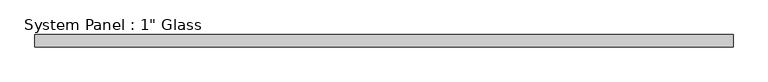
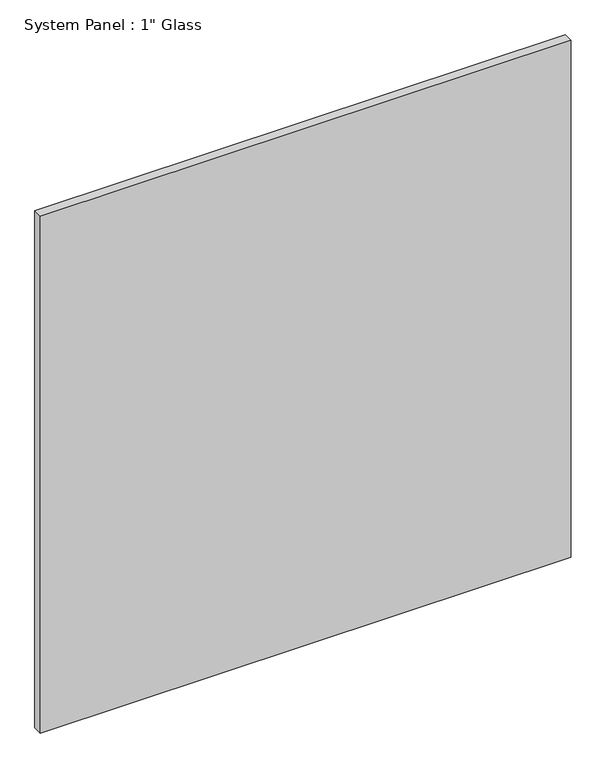
"""IFC4 building model written with IfcOpenShell, lengths in millimetres: plate geometry."""

from ifc_helpers import new_model, si_unit, origin, origin_with_axes, place, context, project, spatial, polyline, outline, extrude, source, transform, mapped, element, save


def plate_5253c09b(model_context):
    return source(origin(), model_context, "Body", "SweptSolid", [
        extrude(outline(polyline([(708.6055865, -12.7), (-708.6055865, -12.7), (-708.6055865, 12.7), (708.6055865, 12.7), (708.6055865, -12.7)])), origin_with_axes(), (0.0, 0.0, 1.0), 1459.3441382),
    ])


if __name__ == "__main__":
    model = new_model("IFC4")
    model_context = context("Model", 3, world=origin())
    ifc_project = project(units=[si_unit("LENGTHUNIT", "METRE", prefix="MILLI")], contexts=[model_context])
    site = spatial("IfcSite", under=ifc_project)
    building = spatial("IfcBuilding", under=site)
    placement = place(None, origin())
    plate_shape = plate_5253c09b(model_context)
    element("IfcPlate", 1, ObjectType="System Panel : 1\" Glass", at=placement, inside=building, context=model_context, shape_type="MappedRepresentation", body=[
        mapped(plate_shape, transform((0.0, 0.0, 0.0), x_axis=(1.0, 0.0, 0.0), y_axis=(0.0, 1.0, 0.0), z_axis=(0.0, 0.0, 1.0))),
    ])
    save(model, "model.ifc")
